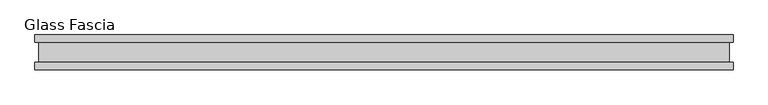
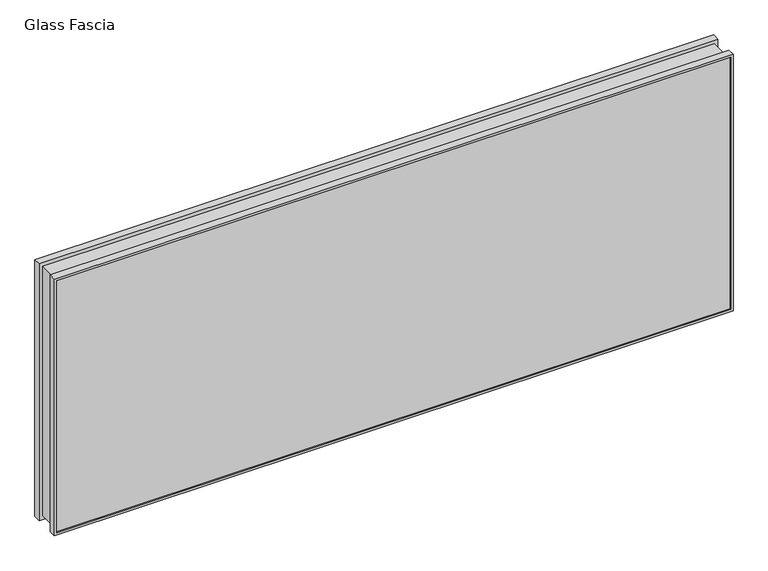
"""IFC4 building model written with IfcOpenShell, lengths in millimetres: proxy geometry, Glass Fascia."""

from ifc_helpers import new_model, si_unit, frame, origin, place, context, project, spatial, polyline, outline, extrude, faceted_brep, source, transform, mapped, element, save


def glass_fascia_dc85a8b2(model_context):
    return source(origin(), model_context, "Body", "SolidModel", [
        faceted_brep([(1005.8670757, 50.0558594, 807.593), (1005.8670757, 28.2698798, 807.593), (1005.8670757, 28.2698798, 3.175), (1005.8670757, 50.0558594, 3.175), (998.4318679, 47.1322551, 800.1577922), (998.4318679, 50.0558594, 800.1577922), (998.4318679, 50.0558594, 10.6102078), (998.4318679, 47.1322551, 10.6102078), (1003.7145495, 41.1791301, 805.4404737), (1003.7145495, 47.1322551, 805.4404737), (1003.7145495, 47.1322551, 5.3275263), (1003.7145495, 41.1791301, 5.3275263), (1003.7145495, -46.8808594, 805.4404737), (1003.7145495, -40.9277344, 805.4404737), (1003.7145495, -40.9277344, 5.3275263), (1003.7145495, -46.8808594, 5.3275263), (998.4318679, -50.0558594, 800.1577922), (998.4318679, -46.8808594, 800.1577922), (998.4318679, -46.8808594, 10.6102078), (998.4318679, -50.0558594, 10.6102078), (1005.8670757, -28.8801202, 807.593), (1005.8670757, -50.0558594, 807.593), (1005.8670757, -50.0558594, 3.175), (1005.8670757, -28.8801202, 3.175), (995.0152344, 28.2698798, 796.7411586), (995.0152344, -28.8801202, 796.7411586), (995.0152344, -28.8801202, 14.0268414), (995.0152344, 28.2698798, 14.0268414), (-1005.8670757, 28.2698798, 3.175), (-1005.8670757, 50.0558594, 3.175), (-998.4318679, 50.0558594, 10.6102078), (-998.4318679, 47.1322551, 10.6102078), (-1003.7145495, 47.1322551, 5.3275263), (-1003.7145495, 41.1791301, 5.3275263), (-1003.7145495, -40.9277344, 5.3275263), (-1003.7145495, -46.8808594, 5.3275263), (-998.4318679, -46.8808594, 10.6102078), (-998.4318679, -50.0558594, 10.6102078), (-1005.8670757, -50.0558594, 3.175), (-1005.8670757, -28.8801202, 3.175), (-995.0152344, -28.8801202, 14.0268414), (-995.0152344, 28.2698798, 14.0268414), (-1005.8670757, 28.2698798, 807.593), (-1005.8670757, 50.0558594, 807.593), (-998.4318679, 50.0558594, 800.1577922), (-998.4318679, 47.1322551, 800.1577922), (-1003.7145495, 47.1322551, 805.4404737), (-1003.7145495, 41.1791301, 805.4404737), (-1003.7145495, -40.9277344, 805.4404737), (-1003.7145495, -46.8808594, 805.4404737), (-998.4318679, -46.8808594, 800.1577922), (-998.4318679, -50.0558594, 800.1577922), (-1005.8670757, -50.0558594, 807.593), (-1005.8670757, -28.8801202, 807.593), (-995.0152344, -28.8801202, 796.7411586), (-995.0152344, 28.2698798, 796.7411586), (980.4041247, 41.1791301, 782.130049), (-980.4041247, 41.1791301, 782.130049), (-980.4041247, 41.1791301, 28.637951), (980.4041247, 41.1791301, 28.637951), (980.4041247, -40.9277344, 28.637951), (-980.4041247, -40.9277344, 28.637951), (-980.4041247, -40.9277344, 782.130049), (980.4041247, -40.9277344, 782.130049), (980.4041247, 4.7625, 782.130049), (980.4041247, 4.7625, 28.637951), (-980.4041247, 4.7625, 28.637951), (-980.4041247, 4.7625, 782.130049), (990.7228747, -4.7625, 792.448799), (990.7228747, 4.7625, 792.448799), (990.7228747, 4.7625, 18.319201), (990.7228747, -4.7625, 18.319201), (980.4041247, -4.7625, 782.130049), (980.4041247, -4.7625, 28.637951), (-990.7228747, 4.7625, 18.319201), (-990.7228747, -4.7625, 18.319201), (-980.4041247, -4.7625, 28.637951), (-990.7228747, 4.7625, 792.448799), (-990.7228747, -4.7625, 792.448799), (-980.4041247, -4.7625, 782.130049)], [[[0, 1, 2, 3]], [[4, 5, 6, 7]], [[8, 9, 10, 11]], [[12, 13, 14, 15]], [[16, 17, 18, 19]], [[20, 21, 22, 23]], [[24, 25, 26, 27]], [[3, 2, 28, 29]], [[7, 6, 30, 31]], [[11, 10, 32, 33]], [[15, 14, 34, 35]], [[19, 18, 36, 37]], [[23, 22, 38, 39]], [[27, 26, 40, 41]], [[29, 28, 42, 43]], [[31, 30, 44, 45]], [[33, 32, 46, 47]], [[35, 34, 48, 49]], [[37, 36, 50, 51]], [[39, 38, 52, 53]], [[41, 40, 54, 55]], [[43, 42, 1, 0]], [[3, 29, 43, 0], [5, 44, 30, 6]], [[45, 44, 5, 4]], [[9, 46, 32, 10], [7, 31, 45, 4]], [[47, 46, 9, 8]], [[11, 33, 47, 8], [56, 57, 58, 59]], [[13, 48, 34, 14], [60, 61, 62, 63]], [[49, 48, 13, 12]], [[15, 35, 49, 12], [17, 50, 36, 18]], [[51, 50, 17, 16]], [[21, 52, 38, 22], [19, 37, 51, 16]], [[53, 52, 21, 20]], [[23, 39, 53, 20], [25, 54, 40, 26]], [[55, 54, 25, 24]], [[1, 42, 28, 2], [27, 41, 55, 24]], [[64, 56, 59, 65]], [[65, 59, 58, 66]], [[66, 58, 57, 67]], [[67, 57, 56, 64]], [[68, 69, 70, 71]], [[63, 72, 73, 60]], [[71, 70, 74, 75]], [[60, 73, 76, 61]], [[75, 74, 77, 78]], [[61, 76, 79, 62]], [[69, 77, 74, 70], [65, 66, 67, 64]], [[78, 77, 69, 68]], [[62, 79, 72, 63]], [[71, 75, 78, 68], [72, 79, 76, 73]]]),
        extrude(outline(polyline([(1003.7145495, -40.9277344), (1003.7145495, -46.8808594), (-1003.7145495, -46.8808594), (-1003.7145495, -40.9277344), (1003.7145495, -40.9277344)])), frame((0.0, 0.0, 5.3275263), z_axis=(0.0, 0.0, 1.0), x_axis=(1.0, 0.0, 0.0)), (0.0, 0.0, 1.0), 799.618928),
        extrude(outline(polyline([(1003.7145495, 41.1791301), (-1003.7145495, 41.1791301), (-1003.7145495, 47.1322551), (1003.7145495, 47.1322551), (1003.7145495, 41.1791301)])), frame((0.0, 0.0, 5.3275263), z_axis=(0.0, 0.0, 1.0), x_axis=(1.0, 0.0, 0.0)), (0.0, 0.0, 1.0), 799.618928),
    ])


if __name__ == "__main__":
    model = new_model("IFC4")
    model_context = context("Model", 3, world=origin())
    ifc_project = project(units=[si_unit("LENGTHUNIT", "METRE", prefix="MILLI")], contexts=[model_context])
    site = spatial("IfcSite", under=ifc_project)
    building = spatial("IfcBuilding", under=site)
    placement = place(None, origin())
    glass_fascia_shape = glass_fascia_dc85a8b2(model_context)
    element("IfcBuildingElementProxy", 1, Name="Glass Fascia", ObjectType="Glass Fascia", at=placement, inside=building, context=model_context, shape_type="MappedRepresentation", body=[
        mapped(glass_fascia_shape, transform((0.0, 0.0, 0.0), x_axis=(1.0, 0.0, 0.0), y_axis=(0.0, 1.0, 0.0), z_axis=(0.0, 0.0, 1.0))),
    ])
    save(model, "model.ifc")
